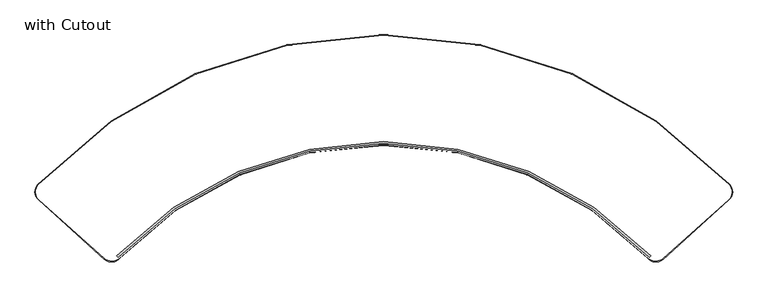
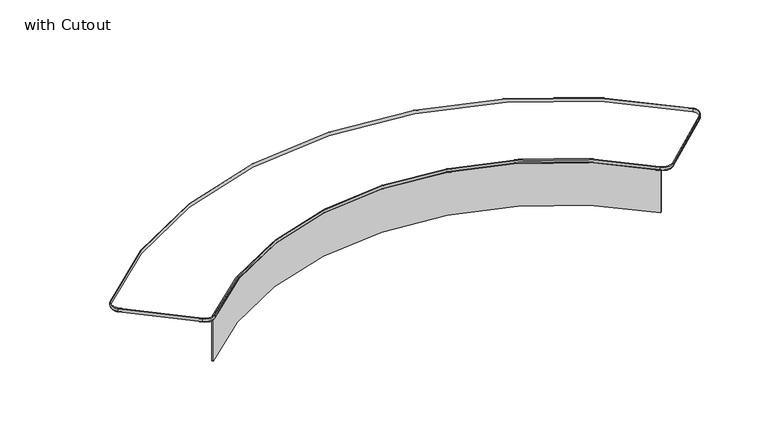
"""IFC4 building model written with IfcOpenShell, lengths in millimetres: furniture geometry, with Cutout."""

from ifc_helpers import new_model, si_unit, point, frame, frame_2d, origin, place, context, project, spatial, polyline, circle_curve, ellipse_curve, trimmed, segment, composite_curve, outline, extrude, source, transform, mapped, element, save
from ifc_brep_helpers import plane_surface, cylinder_surface, revolved_surface, advanced_brep


def with_cutout_41adc4ee(model_context):
    return source(origin(), model_context, "Body", "SolidModel", [
        advanced_brep(
        [(-1819.856282, -1543.5949761, 722.328), (1819.856282, -1543.5949761, 722.328), (1819.856282, -1543.5949761, 746.3), (-1819.856282, -1543.5949761, 746.3), (-1822.0318744, -1541.5293532, 719.328), (1822.0318744, -1541.5293532, 719.328), (-1822.0318744, -1541.5293532, 749.3), (1822.0318744, -1541.5293532, 749.3), (2384.6883367, -1031.4108753, 722.328), (-2384.6883367, -1031.4108753, 722.328), (-2384.6883367, -1031.4108753, 746.3), (2384.6883367, -1031.4108753, 746.3), (2382.5022085, -1033.4653444, 719.328), (-2382.5022085, -1033.4653444, 719.328), (2382.5022085, -1033.4653444, 749.3), (-2382.5022085, -1033.4653444, 749.3), (2380.0594191, -1140.3020487, 722.328), (2380.0594191, -1140.3020487, 746.3), (2378.0555317, -1138.0694637, 719.328), (2378.0555317, -1138.0694637, 749.3), (1926.0150665, -1547.8358118, 746.3), (1926.0150665, -1547.8358118, 722.328), (1924.0111792, -1545.6032269, 719.328), (1924.0111792, -1545.6032269, 749.3), (-1926.0150665, -1547.8358118, 722.328), (-1926.0150665, -1547.8358118, 746.3), (-1924.0111792, -1545.6032269, 719.328), (-1924.0111792, -1545.6032269, 749.3), (-2380.0594191, -1140.3020487, 746.3), (-2380.0594191, -1140.3020487, 722.328), (-2378.0555317, -1138.0694637, 719.328), (-2378.0555317, -1138.0694637, 749.3)],
        [
            (0, 1, circle_curve(frame((0.0, -3271.463158, 722.328), z_axis=(0.0, 0.0, -1.0), x_axis=(0.7251974495977739, 0.6885409639933446, 0.0)), 2509.463158)),
            (1, 2),
            (2, 3, circle_curve(frame((0.0, -3271.463158, 746.3), z_axis=(0.0, 0.0, 1.0), x_axis=(0.7251974495977739, 0.6885409639933446, 0.0)), 2509.463158)),
            (3, 0),
            (4, 5, circle_curve(frame((0.0, -3271.463158, 719.328), z_axis=(0.0, 0.0, -1.0), x_axis=(0.7251974495977739, 0.6885409639933446, 0.0)), 2512.463158)),
            (5, 1, circle_curve(frame((1822.0318744, -1541.5293532, 722.328), z_axis=(-0.6885409639933446, 0.7251974495977739, 0.0), x_axis=(-0.7251974495977739, -0.6885409639933446, 0.0)), 3.0)),
            (0, 4, circle_curve(frame((-1822.0318744, -1541.5293532, 722.328), z_axis=(0.6885409639933517, 0.7251974495977672, 0.0), x_axis=(0.7251974495977672, -0.6885409639933517, 0.0)), 3.0)),
            (6, 7, circle_curve(frame((0.0, -3271.463158, 749.3), z_axis=(0.0, 0.0, -1.0), x_axis=(0.7251974495977739, 0.6885409639933446, 0.0)), 2512.463158)),
            (7, 5),
            (4, 6),
            (2, 7, circle_curve(frame((1822.0318744, -1541.5293532, 746.3), z_axis=(-0.6885409639933446, 0.7251974495977739, 0.0), x_axis=(-0.7251974495977739, -0.6885409639933446, 0.0)), 3.0)),
            (6, 3, circle_curve(frame((-1822.0318744, -1541.5293532, 746.3), z_axis=(0.6885409639933517, 0.7251974495977672, 0.0), x_axis=(0.7251974495977672, -0.6885409639933517, 0.0)), 3.0)),
            (8, 9, circle_curve(frame((0.0, -3272.4819074, 722.328), z_axis=(0.0, 0.0, 1.0), x_axis=(-0.7287094028844385, 0.6848230473252233, 0.0)), 3272.4819074)),
            (9, 10),
            (10, 11, circle_curve(frame((0.0, -3272.4819074, 746.3), z_axis=(0.0, 0.0, -1.0), x_axis=(-0.7287094028844385, 0.6848230473252233, 0.0)), 3272.4819074)),
            (11, 8),
            (12, 13, circle_curve(frame((0.0, -3272.4819074, 719.328), z_axis=(0.0, 0.0, 1.0), x_axis=(-0.7287094028844385, 0.6848230473252233, 0.0)), 3269.4819074)),
            (13, 9, circle_curve(frame((-2382.5022085, -1033.4653444, 722.328), z_axis=(0.6848230473252233, 0.7287094028844385, 0.0), x_axis=(-0.7287094028844385, 0.6848230473252233, 0.0)), 3.0)),
            (8, 12, circle_curve(frame((2382.5022085, -1033.4653444, 722.328), z_axis=(-0.6848230473252204, 0.7287094028844412, 0.0), x_axis=(0.7287094028844412, 0.6848230473252204, 0.0)), 3.0)),
            (14, 15, circle_curve(frame((0.0, -3272.4819074, 749.3), z_axis=(0.0, 0.0, 1.0), x_axis=(-0.7287094028844385, 0.6848230473252233, 0.0)), 3269.4819074)),
            (15, 13),
            (12, 14),
            (10, 15, circle_curve(frame((-2382.5022085, -1033.4653444, 746.3), z_axis=(0.6848230473252233, 0.7287094028844385, 0.0), x_axis=(-0.7287094028844385, 0.6848230473252233, 0.0)), 3.0)),
            (14, 11, circle_curve(frame((2382.5022085, -1033.4653444, 746.3), z_axis=(-0.6848230473252204, 0.7287094028844412, 0.0), x_axis=(0.7287094028844412, 0.6848230473252204, 0.0)), 3.0)),
            (16, 8, circle_curve(frame((2329.1606802, -1083.5943915, 722.328), z_axis=(0.0, 0.0, 1.0), x_axis=(0.72870940288444, 0.6848230473252218, 0.0)), 76.2)),
            (11, 17, circle_curve(frame((2329.1606802, -1083.5943915, 746.3), z_axis=(0.0, 0.0, -1.0), x_axis=(0.72870940288444, 0.6848230473252218, 0.0)), 76.2)),
            (17, 16),
            (18, 12, circle_curve(frame((2329.1606802, -1083.5943915, 719.328), z_axis=(0.0, 0.0, 1.0), x_axis=(0.72870940288444, 0.6848230473252218, 0.0)), 73.2)),
            (16, 18, circle_curve(frame((2378.0555317, -1138.0694637, 722.328), z_axis=(0.7441949761257809, 0.6679624521701414, 0.0), x_axis=(0.6679624521701414, -0.7441949761257809, 0.0)), 3.0)),
            (19, 14, circle_curve(frame((2329.1606802, -1083.5943915, 749.3), z_axis=(0.0, 0.0, 1.0), x_axis=(0.72870940288444, 0.6848230473252218, 0.0)), 73.2)),
            (18, 19),
            (19, 17, circle_curve(frame((2378.0555317, -1138.0694637, 746.3), z_axis=(0.7441949761257827, 0.6679624521701395, 0.0), x_axis=(0.6679624521701395, -0.7441949761257827, 0.0)), 3.0)),
            (17, 20),
            (20, 21),
            (21, 16),
            (21, 22, circle_curve(frame((1924.0111792, -1545.6032269, 722.328), z_axis=(0.7441949761257824, 0.6679624521701396, 0.0), x_axis=(0.6679624521701396, -0.7441949761257824, 0.0)), 3.0)),
            (22, 18),
            (22, 23),
            (23, 19),
            (23, 20, circle_curve(frame((1924.0111792, -1545.6032269, 746.3), z_axis=(0.7441949761257824, 0.6679624521701396, 0.0), x_axis=(0.6679624521701396, -0.7441949761257824, 0.0)), 3.0)),
            (1, 21, circle_curve(frame((1875.1163277, -1491.1281546, 722.328), z_axis=(0.0, 0.0, 1.0), x_axis=(0.6679624521701398, -0.7441949761257822, 0.0)), 76.2)),
            (20, 2, circle_curve(frame((1875.1163277, -1491.1281546, 746.3), z_axis=(0.0, 0.0, -1.0), x_axis=(0.6679624521701398, -0.7441949761257822, 0.0)), 76.2)),
            (5, 22, circle_curve(frame((1875.1163277, -1491.1281546, 719.328), z_axis=(0.0, 0.0, 1.0), x_axis=(0.6679624521701398, -0.7441949761257822, 0.0)), 73.2)),
            (7, 23, circle_curve(frame((1875.1163277, -1491.1281546, 749.3), z_axis=(0.0, 0.0, 1.0), x_axis=(0.6679624521701398, -0.7441949761257822, 0.0)), 73.2)),
            (24, 0, circle_curve(frame((-1875.1163277, -1491.1281546, 722.328), z_axis=(0.0, 0.0, 1.0), x_axis=(0.7251974495977631, -0.688540963993356, 0.0)), 76.2)),
            (3, 25, circle_curve(frame((-1875.1163277, -1491.1281546, 746.3), z_axis=(0.0, 0.0, -1.0), x_axis=(0.7251974495977631, -0.688540963993356, 0.0)), 76.2)),
            (25, 24),
            (26, 4, circle_curve(frame((-1875.1163277, -1491.1281546, 719.328), z_axis=(0.0, 0.0, 1.0), x_axis=(0.7251974495977631, -0.688540963993356, 0.0)), 73.2)),
            (24, 26, circle_curve(frame((-1924.0111792, -1545.6032269, 722.328), z_axis=(0.7441949761257831, -0.667962452170139, 0.0), x_axis=(-0.667962452170139, -0.7441949761257831, 0.0)), 3.0)),
            (27, 6, circle_curve(frame((-1875.1163277, -1491.1281546, 749.3), z_axis=(0.0, 0.0, 1.0), x_axis=(0.7251974495977631, -0.688540963993356, 0.0)), 73.2)),
            (26, 27),
            (27, 25, circle_curve(frame((-1924.0111792, -1545.6032269, 746.3), z_axis=(0.7441949761257796, -0.6679624521701429, 0.0), x_axis=(-0.6679624521701429, -0.7441949761257796, 0.0)), 3.0)),
            (25, 28),
            (28, 29),
            (29, 24),
            (29, 30, circle_curve(frame((-2378.0555317, -1138.0694637, 722.328), z_axis=(0.7441949761257826, -0.6679624521701396, 0.0), x_axis=(-0.6679624521701396, -0.7441949761257826, 0.0)), 3.0)),
            (30, 26),
            (30, 31),
            (31, 27),
            (31, 28, circle_curve(frame((-2378.0555317, -1138.0694637, 746.3), z_axis=(0.7441949761257826, -0.6679624521701396, 0.0), x_axis=(-0.6679624521701396, -0.7441949761257826, 0.0)), 3.0)),
            (9, 29, circle_curve(frame((-2329.1606802, -1083.5943915, 722.328), z_axis=(0.0, 0.0, 1.0), x_axis=(-0.6679624521701415, -0.7441949761257808, 0.0)), 76.2)),
            (28, 10, circle_curve(frame((-2329.1606802, -1083.5943915, 746.3), z_axis=(0.0, 0.0, -1.0), x_axis=(-0.6679624521701415, -0.7441949761257808, 0.0)), 76.2)),
            (13, 30, circle_curve(frame((-2329.1606802, -1083.5943915, 719.328), z_axis=(0.0, 0.0, 1.0), x_axis=(-0.6679624521701415, -0.7441949761257808, 0.0)), 73.2)),
            (15, 31, circle_curve(frame((-2329.1606802, -1083.5943915, 749.3), z_axis=(0.0, 0.0, 1.0), x_axis=(-0.6679624521701415, -0.7441949761257808, 0.0)), 73.2)),
        ],
        [
            revolved_surface(polyline([(1819.8562820411755, -1543.594976084897, 746.3), (1819.8562820411755, -1543.594976084897, 722.328)]), (0.0, -3271.463158, 0.0), (0.0, 0.0, 1.0)),
            revolved_surface(trimmed(ellipse_curve(frame((1822.0318744, -1541.5293532, 722.328), z_axis=(0.6885409639933446, -0.7251974495977739, 0.0), x_axis=(-0.7251974495977739, -0.6885409639933446, 0.0)), 3.0, 3.0), [point((1819.856282, -1543.5949761, 722.328))], [point((1822.0318744, -1541.5293532, 719.328))], True, "CARTESIAN"), (0.0, -3271.463158, 0.0), (0.0, 0.0, 1.0)),
            cylinder_surface(frame((0.0, -3271.463158, 0.0), z_axis=(0.0, 0.0, 1.0), x_axis=(0.7251974495977739, 0.6885409639933446, 0.0)), 2512.463158),
            revolved_surface(trimmed(ellipse_curve(frame((1822.0318744, -1541.5293532, 746.3), z_axis=(0.6885409639933446, -0.7251974495977739, 0.0), x_axis=(-0.7251974495977739, -0.6885409639933446, 0.0)), 3.0, 3.0), [point((1822.0318744, -1541.5293532, 749.3))], [point((1819.856282, -1543.5949761, 746.3))], True, "CARTESIAN"), (0.0, -3271.463158, 0.0), (0.0, 0.0, 1.0)),
            cylinder_surface(frame((0.0, -3272.4819074, 0.0), z_axis=(0.0, 0.0, -1.0), x_axis=(-0.7287094028844385, 0.6848230473252233, 0.0)), 3272.4819074),
            revolved_surface(trimmed(ellipse_curve(frame((-2382.5022085, -1033.4653444, 722.328), z_axis=(-0.6848230473252233, -0.7287094028844385, 0.0), x_axis=(-0.7287094028844385, 0.6848230473252233, 0.0)), 3.0, 3.0), [point((-2384.6883367, -1031.4108753, 722.328))], [point((-2382.5022085, -1033.4653444, 719.328))], True, "CARTESIAN"), (0.0, -3272.4819074, 0.0), (0.0, 0.0, -1.0)),
            revolved_surface(polyline([(-2382.5022084829293, -1033.4653443996485, 719.328), (-2382.5022084829293, -1033.4653443996485, 749.3)]), (0.0, -3272.4819074, 0.0), (0.0, 0.0, -1.0)),
            revolved_surface(trimmed(ellipse_curve(frame((-2382.5022085, -1033.4653444, 746.3), z_axis=(-0.6848230473252233, -0.7287094028844385, 0.0), x_axis=(-0.7287094028844385, 0.6848230473252233, 0.0)), 3.0, 3.0), [point((-2382.5022085, -1033.4653444, 749.3))], [point((-2384.6883367, -1031.4108753, 746.3))], True, "CARTESIAN"), (0.0, -3272.4819074, 0.0), (0.0, 0.0, -1.0)),
            cylinder_surface(frame((2329.1606802, -1083.5943915, 0.0), z_axis=(0.0, 0.0, -1.0), x_axis=(0.72870940288444, 0.6848230473252218, 0.0)), 76.2),
            revolved_surface(trimmed(ellipse_curve(frame((2382.5022085, -1033.4653444, 722.328), z_axis=(-0.6848230473252218, 0.72870940288444, 0.0), x_axis=(0.72870940288444, 0.6848230473252218, 0.0)), 3.0, 3.0), [point((2384.6883367, -1031.4108753, 722.328))], [point((2382.5022085, -1033.4653444, 719.328))], True, "CARTESIAN"), (2329.1606802, -1083.5943915, 0.0), (0.0, 0.0, -1.0)),
            revolved_surface(polyline([(2382.502208491141, -1033.465344435794, 719.328), (2382.502208491141, -1033.465344435794, 749.3)]), (2329.1606802, -1083.5943915, 0.0), (0.0, 0.0, -1.0)),
            revolved_surface(trimmed(ellipse_curve(frame((2382.5022085, -1033.4653444, 746.3), z_axis=(-0.6848230473252218, 0.72870940288444, 0.0), x_axis=(0.72870940288444, 0.6848230473252218, 0.0)), 3.0, 3.0), [point((2382.5022085, -1033.4653444, 749.3))], [point((2384.6883367, -1031.4108753, 746.3))], True, "CARTESIAN"), (2329.1606802, -1083.5943915, 0.0), (0.0, 0.0, -1.0)),
            plane_surface(frame((2380.0594191, -1140.3020487, 746.3), z_axis=(0.6679624521701402, -0.744194976125782, 0.0), x_axis=(-0.744194976125782, -0.6679624521701402, 0.0))),
            cylinder_surface(frame((2378.0555317, -1138.0694637, 722.328), z_axis=(0.7441949761257824, 0.6679624521701396, 0.0), x_axis=(0.6679624521701396, -0.7441949761257824, 0.0)), 3.0),
            plane_surface(frame((2378.0555317, -1138.0694637, 719.328), z_axis=(-0.6679624521701397, 0.7441949761257824, 0.0), x_axis=(-0.7441949761257824, -0.6679624521701397, 0.0))),
            cylinder_surface(frame((2378.0555317, -1138.0694637, 746.3), z_axis=(0.7441949761257824, 0.6679624521701396, 0.0), x_axis=(0.6679624521701396, -0.7441949761257824, 0.0)), 3.0),
            cylinder_surface(frame((1875.1163277, -1491.1281546, 0.0), z_axis=(0.0, 0.0, -1.0), x_axis=(0.6679624521701398, -0.7441949761257822, 0.0)), 76.2),
            revolved_surface(trimmed(ellipse_curve(frame((1924.0111792, -1545.6032269, 722.328), z_axis=(0.7441949761257822, 0.6679624521701398, 0.0), x_axis=(0.6679624521701398, -0.7441949761257822, 0.0)), 3.0, 3.0), [point((1926.0150665, -1547.8358118, 722.328))], [point((1924.0111792, -1545.6032269, 719.328))], True, "CARTESIAN"), (1875.1163277, -1491.1281546, 0.0), (0.0, 0.0, -1.0)),
            revolved_surface(polyline([(1924.0111791988543, -1545.6032268524073, 719.328), (1924.0111791988543, -1545.6032268524073, 749.3)]), (1875.1163277, -1491.1281546, 0.0), (0.0, 0.0, -1.0)),
            revolved_surface(trimmed(ellipse_curve(frame((1924.0111792, -1545.6032269, 746.3), z_axis=(0.7441949761257822, 0.6679624521701398, 0.0), x_axis=(0.6679624521701398, -0.7441949761257822, 0.0)), 3.0, 3.0), [point((1924.0111792, -1545.6032269, 749.3))], [point((1926.0150665, -1547.8358118, 746.3))], True, "CARTESIAN"), (1875.1163277, -1491.1281546, 0.0), (0.0, 0.0, -1.0)),
            cylinder_surface(frame((-1875.1163277, -1491.1281546, 0.0), z_axis=(0.0, 0.0, -1.0), x_axis=(0.7251974495977631, -0.688540963993356, 0.0)), 76.2),
            revolved_surface(trimmed(ellipse_curve(frame((-1822.0318744, -1541.5293532, 722.328), z_axis=(0.688540963993356, 0.7251974495977631, 0.0), x_axis=(0.7251974495977631, -0.688540963993356, 0.0)), 3.0, 3.0), [point((-1819.856282, -1543.5949761, 722.328))], [point((-1822.0318744, -1541.5293532, 719.328))], True, "CARTESIAN"), (-1875.1163277, -1491.1281546, 0.0), (0.0, 0.0, -1.0)),
            revolved_surface(polyline([(-1822.0318743894438, -1541.5293531643138, 719.328), (-1822.0318743894438, -1541.5293531643138, 749.3)]), (-1875.1163277, -1491.1281546, 0.0), (0.0, 0.0, -1.0)),
            revolved_surface(trimmed(ellipse_curve(frame((-1822.0318744, -1541.5293532, 746.3), z_axis=(0.688540963993356, 0.7251974495977631, 0.0), x_axis=(0.7251974495977631, -0.688540963993356, 0.0)), 3.0, 3.0), [point((-1822.0318744, -1541.5293532, 749.3))], [point((-1819.856282, -1543.5949761, 746.3))], True, "CARTESIAN"), (-1875.1163277, -1491.1281546, 0.0), (0.0, 0.0, -1.0)),
            plane_surface(frame((-1926.0150665, -1547.8358118, 746.3), z_axis=(-0.6679624521701394, -0.7441949761257827, 0.0), x_axis=(-0.7441949761257827, 0.6679624521701394, 0.0))),
            cylinder_surface(frame((-1924.0111792, -1545.6032269, 722.328), z_axis=(0.7441949761257826, -0.6679624521701396, 0.0), x_axis=(-0.6679624521701396, -0.7441949761257826, 0.0)), 3.0),
            plane_surface(frame((-1924.0111792, -1545.6032269, 719.328), z_axis=(0.6679624521701396, 0.7441949761257826, 0.0), x_axis=(-0.7441949761257826, 0.6679624521701396, 0.0))),
            cylinder_surface(frame((-1924.0111792, -1545.6032269, 746.3), z_axis=(0.7441949761257826, -0.6679624521701396, 0.0), x_axis=(-0.6679624521701396, -0.7441949761257826, 0.0)), 3.0),
            cylinder_surface(frame((-2329.1606802, -1083.5943915, 0.0), z_axis=(0.0, 0.0, -1.0), x_axis=(-0.6679624521701415, -0.7441949761257808, 0.0)), 76.2),
            revolved_surface(trimmed(ellipse_curve(frame((-2378.0555317, -1138.0694637, 722.328), z_axis=(0.7441949761257807, -0.6679624521701416, 0.0), x_axis=(-0.6679624521701416, -0.7441949761257807, 0.0)), 3.0, 3.0), [point((-2380.0594191, -1140.3020487, 722.328))], [point((-2378.0555317, -1138.0694637, 719.328))], True, "CARTESIAN"), (-2329.1606802, -1083.5943915, 0.0), (0.0, 0.0, -1.0)),
            revolved_surface(polyline([(-2378.0555316988543, -1138.0694637524073, 719.328), (-2378.0555316988543, -1138.0694637524073, 749.3)]), (-2329.1606802, -1083.5943915, 0.0), (0.0, 0.0, -1.0)),
            revolved_surface(trimmed(ellipse_curve(frame((-2378.0555317, -1138.0694637, 746.3), z_axis=(0.7441949761257807, -0.6679624521701416, 0.0), x_axis=(-0.6679624521701416, -0.7441949761257807, 0.0)), 3.0, 3.0), [point((-2378.0555317, -1138.0694637, 749.3))], [point((-2380.0594191, -1140.3020487, 746.3))], True, "CARTESIAN"), (-2329.1606802, -1083.5943915, 0.0), (0.0, 0.0, -1.0)),
        ],
        [
            (0, [[1, 2, 3, 4]]),
            (1, [[5, 6, -1, 7]]),
            (2, [[8, 9, -5, 10]]),
            (3, [[-3, 11, -8, 12]]),
            (4, [[13, 14, 15, 16]]),
            (5, [[17, 18, -13, 19]]),
            (6, [[20, 21, -17, 22]]),
            (7, [[-15, 23, -20, 24]]),
            (8, [[25, -16, 26, 27]]),
            (9, [[28, -19, -25, 29]]),
            (10, [[30, -22, -28, 31]]),
            (11, [[-26, -24, -30, 32]]),
            (12, [[-27, 33, 34, 35]]),
            (13, [[-29, -35, 36, 37]]),
            (14, [[-31, -37, 38, 39]]),
            (15, [[-32, -39, 40, -33]]),
            (16, [[41, -34, 42, -2]]),
            (17, [[43, -36, -41, -6]]),
            (18, [[44, -38, -43, -9]]),
            (19, [[-42, -40, -44, -11]]),
            (20, [[45, -4, 46, 47]]),
            (21, [[48, -7, -45, 49]]),
            (22, [[50, -10, -48, 51]]),
            (23, [[-46, -12, -50, 52]]),
            (24, [[-47, 53, 54, 55]]),
            (25, [[-49, -55, 56, 57]]),
            (26, [[-51, -57, 58, 59]]),
            (27, [[-52, -59, 60, -53]]),
            (28, [[61, -54, 62, -14]]),
            (29, [[63, -56, -61, -18]]),
            (30, [[64, -58, -63, -21]]),
            (31, [[-62, -60, -64, -23]]),
        ],
    ),
        extrude(outline(composite_curve([segment(trimmed(circle_curve(frame_2d((0.0, -3280.3516348)), 2529.9141292), [point((1830.4562288, -1533.9566349))], [point((-1830.4562288, -1533.9566349))], True, "CARTESIAN"), True, "CONTINUOUS"), segment(polyline([(-1830.4562288, -1533.9566349), (-1839.9118617, -1525.4696014)]), True, "CONTINUOUS"), segment(trimmed(circle_curve(frame_2d((0.0, -3280.3516348)), 2542.6141292), [point((-1839.9118617, -1525.4696014))], [point((1839.9118617, -1525.4696014))], False, "CARTESIAN"), True, "CONTINUOUS"), segment(polyline([(1839.9118617, -1525.4696014), (1830.4562288, -1533.9566349)]), True, "CONTINUOUS")], self_intersect=False)), frame((0.0, 0.0, 339.725), z_axis=(0.0, 0.0, 1.0), x_axis=(1.0, 0.0, 0.0)), (0.0, 0.0, 1.0), 379.603),
    ])


if __name__ == "__main__":
    model = new_model("IFC4")
    model_context = context("Model", 3, world=origin())
    ifc_project = project(units=[si_unit("LENGTHUNIT", "METRE", prefix="MILLI")], contexts=[model_context])
    site = spatial("IfcSite", under=ifc_project)
    building = spatial("IfcBuilding", under=site)
    placement = place(None, origin())
    with_cutout_shape = with_cutout_41adc4ee(model_context)
    element("IfcFurniture", 1, ObjectType="with Cutout", at=placement, inside=building, context=model_context, shape_type="MappedRepresentation", body=[
        mapped(with_cutout_shape, transform((0.0, 0.0, 0.0), x_axis=(1.0, 0.0, 0.0), y_axis=(0.0, 1.0, 0.0), z_axis=(0.0, 0.0, 1.0))),
    ])
    save(model, "model.ifc")
